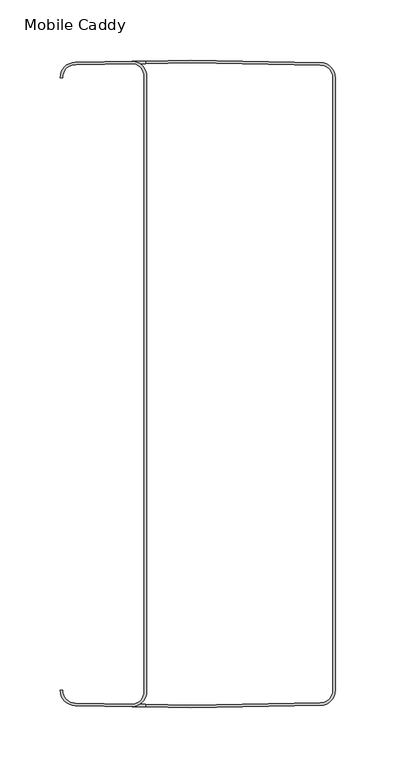
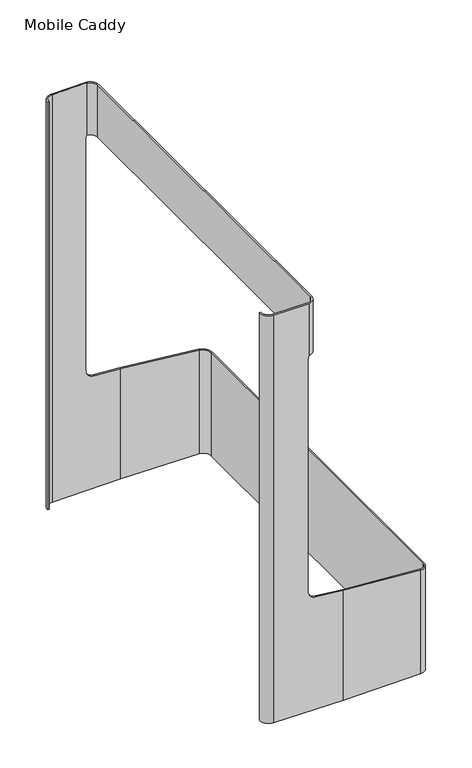
"""IFC4 building model written with IfcOpenShell, lengths in millimetres: furniture geometry, Mobile Caddy."""

from ifc_helpers import new_model, si_unit, frame, origin, place, context, project, spatial, polyline, circle_curve, ellipse_curve, source, transform, mapped, element, save
from ifc_brep_helpers import plane_surface, cylinder_surface, revolved_surface, advanced_brep


def mobile_caddy_da1a9284(model_context):
    return source(origin(), model_context, "Body", "AdvancedBrep", [
        advanced_brep(
        [(-95.9034456, 266.3605254, 602.1088158), (-108.3818, 253.6624597, 602.1088158), (-106.3418, 253.6624597, 602.1088158), (-95.6532531, 264.3224215, 602.1088158), (-47.3896038, 265.1648666, 602.1088158), (-38.5775683, 254.4628456, 602.1088158), (-38.5775683, -255.5043533, 602.1088158), (-47.3896038, -266.204214, 602.1088158), (-96.0823568, -265.3542788, 602.1088158), (-106.3418, -254.7018071, 602.1088158), (-108.3818, -254.7018071, 602.1088158), (-95.9034456, -267.3998728, 602.1088158), (-47.3896038, -268.2466851, 602.1088158), (-36.5354083, -255.5043533, 602.1088158), (-36.5354083, 254.4628456, 602.1088158), (-47.3896038, 267.2073377, 602.1088158), (0.0, -269.0738737, 5.2046822), (-95.9034456, -267.3998728, 5.2046822), (-108.3818, -254.7018071, 5.2046822), (-106.3418, -254.7018071, 5.2046822), (-96.0823568, -265.3542788, 5.2046822), (0.0618826, -267.0324828, 5.2046822), (107.7042427, -265.1535784, 5.2046822), (118.1782, -254.495202, 5.2046822), (118.1782, 253.4558546, 5.2046822), (107.7042427, 264.114231, 5.2046822), (0.0618826, 265.9931354, 5.2046822), (-95.6532531, 264.3224215, 5.2046822), (-106.3418, 253.6624597, 5.2046822), (-108.3818, 253.6624597, 5.2046822), (-95.9034456, 266.3605254, 5.2046822), (0.0, 268.0345263, 5.2046822), (107.7398456, 266.1539203, 5.2046822), (120.2182, 253.4558546, 5.2046822), (120.2182, -254.495202, 5.2046822), (107.7398456, -267.1932677, 5.2046822), (107.7398456, -267.1932677, 156.8929968), (0.0, -269.0738737, 166.3190119), (120.2182, -254.495202, 155.8012822), (120.2182, 253.4558546, 155.8012822), (107.7398456, 266.1539203, 156.8929968), (0.0, 268.0345263, 166.3190119), (-47.3896038, 267.2073377, 526.1422527), (-48.8442, 267.1819476, 520.2404822), (-48.8442, 267.1819476, 182.0464653), (-37.4336468, 267.3811196, 169.5940316), (107.7042427, 264.114231, 156.8961116), (0.0618826, 265.9931354, 166.3135979), (118.1782, 253.4558546, 155.9797591), (118.1782, -254.495202, 155.9797591), (107.7042427, -265.1535784, 156.8961116), (0.0618826, -267.0324828, 166.3135979), (-37.4336468, -268.420467, 169.5940316), (-48.8442, -268.221295, 182.0464653), (-48.8442, -268.221295, 520.2404822), (-47.3896038, -268.2466851, 526.1422527), (-48.8442, 265.1394765, 520.2404822), (-48.8442, 265.1394765, 182.0464653), (-48.8442, -266.1788239, 520.2404822), (-48.8442, -266.1788239, 182.0464653), (-37.4336468, 265.3386485, 169.5940316), (-37.4336468, -266.3779959, 169.5940316), (-47.3896038, 265.1648666, 526.1422527), (-47.3896038, -266.204214, 526.1422527), (-38.5775683, 254.4628456, 526.1422527), (-36.5354083, 254.4628456, 526.1422527), (-36.5354083, -255.5043533, 526.1422527), (-38.5775683, -255.5043533, 526.1422527)],
        [
            (0, 1, circle_curve(frame((-95.6818, 253.6624597, 602.1088158), z_axis=(0.0, 0.0, 1.0), x_axis=(1.0, 0.0, 0.0)), 12.7)),
            (1, 2),
            (2, 3, circle_curve(frame((-95.6818, 253.6624597, 602.1088158), z_axis=(0.0, 0.0, -1.0), x_axis=(1.0, 0.0, 0.0)), 10.66)),
            (3, 4),
            (4, 5, circle_curve(frame((-49.4822692, 254.4628456, 602.1088158), z_axis=(0.0, 0.0, -1.0), x_axis=(1.0, 0.0, 0.0)), 10.9047009)),
            (5, 6),
            (6, 7, circle_curve(frame((-49.4796458, -255.5043533, 602.1088158), z_axis=(0.0, 0.0, -1.0), x_axis=(1.0, 0.0, 0.0)), 10.9020775)),
            (7, 8),
            (8, 9, circle_curve(frame((-95.6818, -254.7018071, 602.1088158), z_axis=(0.0, 0.0, -1.0), x_axis=(1.0, 0.0, 0.0)), 10.66)),
            (9, 10),
            (10, 11, circle_curve(frame((-95.6818, -254.7018071, 602.1088158), z_axis=(0.0, 0.0, 1.0), x_axis=(1.0, 0.0, 0.0)), 12.7)),
            (11, 12),
            (12, 13, circle_curve(frame((-49.441965, -255.5043533, 602.1088158), z_axis=(0.0, 0.0, 1.0), x_axis=(1.0, 0.0, 0.0)), 12.9065567)),
            (13, 14),
            (14, 15, circle_curve(frame((-49.4445013, 254.4628456, 602.1088158), z_axis=(0.0, 0.0, 1.0), x_axis=(1.0, 0.0, 0.0)), 12.909093)),
            (15, 0),
            (16, 17),
            (17, 18, circle_curve(frame((-95.6818, -254.7018071, 5.2046822), z_axis=(0.0, 0.0, -1.0), x_axis=(1.0, 0.0, 0.0)), 12.7)),
            (18, 19),
            (19, 20, circle_curve(frame((-95.6818, -254.7018071, 5.2046822), z_axis=(0.0, 0.0, 1.0), x_axis=(1.0, 0.0, 0.0)), 10.66)),
            (20, 21),
            (21, 22),
            (22, 23, circle_curve(frame((107.5182, -254.495202, 5.2046822), z_axis=(0.0, 0.0, 1.0), x_axis=(1.0, 0.0, 0.0)), 10.66)),
            (23, 24),
            (24, 25, circle_curve(frame((107.5182, 253.4558546, 5.2046822), z_axis=(0.0, 0.0, 1.0), x_axis=(1.0, 0.0, 0.0)), 10.66)),
            (25, 26),
            (26, 27),
            (27, 28, circle_curve(frame((-95.6818, 253.6624597, 5.2046822), z_axis=(0.0, 0.0, 1.0), x_axis=(1.0, 0.0, 0.0)), 10.66)),
            (28, 29),
            (29, 30, circle_curve(frame((-95.6818, 253.6624597, 5.2046822), z_axis=(0.0, 0.0, -1.0), x_axis=(1.0, 0.0, 0.0)), 12.7)),
            (30, 31),
            (31, 32),
            (32, 33, circle_curve(frame((107.5182, 253.4558546, 5.2046822), z_axis=(0.0, 0.0, -1.0), x_axis=(1.0, 0.0, 0.0)), 12.7)),
            (33, 34),
            (34, 35, circle_curve(frame((107.5182, -254.495202, 5.2046822), z_axis=(0.0, 0.0, -1.0), x_axis=(1.0, 0.0, 0.0)), 12.7)),
            (35, 16),
            (35, 36),
            (36, 37),
            (37, 16),
            (34, 38),
            (38, 36, ellipse_curve(frame((107.5182, -254.495202, 156.9123883), z_axis=(-0.08715574274766186, 0.0, -0.9961946980917452), x_axis=(-0.9961946980917451, 0.0, 0.08715574274766172)), 12.7485119, 12.7)),
            (33, 39),
            (39, 38),
            (32, 40),
            (40, 39, ellipse_curve(frame((107.5182, 253.4558546, 156.9123883), z_axis=(-0.08715574274766186, 0.0, -0.9961946980917452), x_axis=(-0.9961946980917451, 0.0, 0.08715574274766172)), 12.7485119, 12.7)),
            (31, 41),
            (41, 40),
            (30, 0),
            (15, 42),
            (42, 43, ellipse_curve(frame((-36.1441999, 267.4036269, 520.2404822), z_axis=(0.017452406433170156, -0.9998476951564631, 0.0), x_axis=(-0.9998476951564632, -0.017452406433161077, 0.0)), 12.7019347, 12.7000001)),
            (43, 44),
            (44, 45, ellipse_curve(frame((-36.3442, 267.4001359, 182.0464653), z_axis=(0.017452406433170156, -0.9998476951564631, 0.0), x_axis=(-0.9998476951564632, -0.017452406433161077, 0.0)), 12.5019041, 12.5)),
            (45, 41),
            (29, 1),
            (28, 2),
            (27, 3),
            (25, 46),
            (46, 47),
            (47, 26),
            (24, 48),
            (48, 46, ellipse_curve(frame((107.5182, 253.4558546, 156.9123883), z_axis=(0.08715574274766186, 0.0, 0.9961946980917452), x_axis=(0.9961946980917451, 0.0, -0.08715574274766172)), 10.7007195, 10.66)),
            (23, 49),
            (49, 48),
            (22, 50),
            (50, 49, ellipse_curve(frame((107.5182, -254.495202, 156.9123883), z_axis=(0.08715574274766186, 0.0, 0.9961946980917452), x_axis=(0.9961946980917451, 0.0, -0.08715574274766172)), 10.7007195, 10.66)),
            (21, 51),
            (51, 50),
            (8, 20),
            (19, 9),
            (18, 10),
            (17, 11),
            (37, 52),
            (52, 53, ellipse_curve(frame((-36.3442, -268.4394833, 182.0464653), z_axis=(0.01745240644356969, 0.9998476951562816, 0.0), x_axis=(0.9998476951562815, -0.017452406443563422, 0.0)), 12.5019041, 12.5)),
            (53, 54),
            (54, 55, ellipse_curve(frame((-36.1441999, -268.4429743, 520.2404822), z_axis=(0.01745240644356969, 0.9998476951562816, 0.0), x_axis=(0.9998476951562815, -0.017452406443563422, 0.0)), 12.7019347, 12.7000001)),
            (55, 12),
            (43, 56),
            (56, 57),
            (57, 44),
            (58, 54),
            (53, 59),
            (59, 58),
            (57, 60, ellipse_curve(frame((-36.3442, 265.3576649, 182.0464653), z_axis=(0.017452406438352636, -0.9998476951563726, 0.0), x_axis=(-0.9998476951563727, -0.017452406438347733, 0.0)), 12.5019041, 12.5)),
            (60, 45),
            (52, 61),
            (61, 59, ellipse_curve(frame((-36.3442, -266.3970122, 182.0464653), z_axis=(0.017452406433397002, 0.9998476951564592, 0.0), x_axis=(0.9998476951564593, -0.01745240643337953, 0.0)), 12.5019041, 12.5)),
            (60, 47),
            (51, 61),
            (42, 62),
            (62, 56, ellipse_curve(frame((-36.1441999, 265.3611559, 520.2404822), z_axis=(0.017452406438352636, -0.9998476951563726, 0.0), x_axis=(-0.9998476951563727, -0.017452406438347733, 0.0)), 12.7019347, 12.7000001)),
            (58, 63, ellipse_curve(frame((-36.1441999, -266.4005033, 520.2404822), z_axis=(0.017452406433397002, 0.9998476951564592, 0.0), x_axis=(0.9998476951564593, -0.01745240643337953, 0.0)), 12.7019347, 12.7000001)),
            (63, 55),
            (62, 4),
            (7, 63),
            (64, 62, circle_curve(frame((-49.4822692, 254.4628456, 526.1422527), z_axis=(0.0, 0.0, 1.0), x_axis=(1.0, 0.0, 0.0)), 10.9047009)),
            (42, 65, circle_curve(frame((-49.4445013, 254.4628456, 526.1422527), z_axis=(0.0, 0.0, -1.0), x_axis=(1.0, 0.0, 0.0)), 12.909093)),
            (65, 66),
            (66, 55, circle_curve(frame((-49.441965, -255.5043533, 526.1422527), z_axis=(0.0, 0.0, -1.0), x_axis=(1.0, 0.0, 0.0)), 12.9065567)),
            (63, 67, circle_curve(frame((-49.4796458, -255.5043533, 526.1422527), z_axis=(0.0, 0.0, 1.0), x_axis=(1.0, 0.0, 0.0)), 10.9020775)),
            (67, 64),
            (5, 64),
            (67, 6),
            (13, 66),
            (65, 14),
        ],
        [
            plane_surface(frame((0.0, -269.0738737, 602.1088158), z_axis=(0.0, 0.0, 1.0000000000000002), x_axis=(0.9998476951564083, 0.01745240643631231, 0.0))),
            plane_surface(frame((0.0, -269.0738737, 5.2046822), z_axis=(0.0, 0.0, -1.0000000000000002), x_axis=(-0.9998476951564083, -0.01745240643631231, 0.0))),
            plane_surface(frame((0.0, -269.0738737, 602.1088158), z_axis=(0.01745240643631231, -0.9998476951564083, 0.0), x_axis=(0.0, 0.0, -1.0))),
            cylinder_surface(frame((107.5182, -254.495202, 5.2046822), z_axis=(0.0, 0.0, 1.0), x_axis=(1.0, 0.0, 0.0)), 12.7),
            plane_surface(frame((120.2182, -254.495202, 602.1088158), z_axis=(1.0, 0.0, 0.0), x_axis=(0.0, 0.0, -1.0))),
            cylinder_surface(frame((107.5182, 253.4558546, 5.2046822), z_axis=(0.0, 0.0, 1.0), x_axis=(1.0, 0.0, 0.0)), 12.7),
            plane_surface(frame((107.7398456, 266.1539203, 602.1088158), z_axis=(0.017452406436691773, 0.9998476951564016, 0.0), x_axis=(0.0, 0.0, -1.0))),
            plane_surface(frame((0.0, 268.0345263, 602.1088158), z_axis=(-0.017452406433170156, 0.9998476951564631, 0.0), x_axis=(0.0, 0.0, -1.0))),
            cylinder_surface(frame((-95.6818, 253.6624597, 5.2046822), z_axis=(0.0, 0.0, 1.0), x_axis=(1.0, 0.0, 0.0)), 12.7),
            plane_surface(frame((-108.3818, 253.6624597, 602.1088158), z_axis=(0.0, -1.0, 0.0), x_axis=(0.0, 0.0, -1.0))),
            revolved_surface(polyline([(-85.0218, 253.6624597, 5.2046822), (-85.0218, 253.6624597, 602.1088158)]), (-95.6818, 253.6624597, 5.2046822), (0.0, 0.0, -1.0)),
            plane_surface(frame((0.0618826, 265.9931354, 602.1088158), z_axis=(-0.01745240643631433, -0.9998476951564081, 0.0), x_axis=(0.0, 0.0, -1.0))),
            revolved_surface(polyline([(118.17819999999999, 253.4558546, 5.2046822), (118.17819999999999, 253.4558546, 157.84501745595688)]), (107.5182, 253.4558546, 5.2046822), (0.0, 0.0, -1.0)),
            plane_surface(frame((118.1782, 253.4558546, 602.1088158), z_axis=(-1.0, 0.0, 0.0), x_axis=(0.0, 0.0, -1.0))),
            revolved_surface(polyline([(118.17819999999999, -254.495202, 5.2046822), (118.17819999999999, -254.495202, 157.84501745595688)]), (107.5182, -254.495202, 5.2046822), (0.0, 0.0, -1.0)),
            plane_surface(frame((107.7042427, -265.1535784, 602.1088158), z_axis=(-0.017452406436160587, 0.9998476951564108, 0.0), x_axis=(0.0, 0.0, -1.0))),
            revolved_surface(polyline([(-85.0218, -254.7018071, 5.2046822), (-85.0218, -254.7018071, 602.1088158)]), (-95.6818, -254.7018071, 5.2046822), (0.0, 0.0, -1.0)),
            plane_surface(frame((-106.3418, -254.7018071, 602.1088158), z_axis=(0.0, 1.0, 0.0), x_axis=(0.0, 0.0, -1.0))),
            cylinder_surface(frame((-95.6818, -254.7018071, 5.2046822), z_axis=(0.0, 0.0, 1.0), x_axis=(1.0, 0.0, 0.0)), 12.7),
            plane_surface(frame((-95.9034456, -267.3998728, 602.1088158), z_axis=(-0.01745240644356969, -0.9998476951562816, 0.0), x_axis=(0.0, 0.0, -1.0))),
            plane_surface(frame((-48.8442, -271.1088527, 520.2404822), z_axis=(1.0, 0.0, 0.0), x_axis=(0.0, 1.0, 0.0))),
            revolved_surface(polyline([(-23.8442, 265.1394765, 182.0464653), (-23.8442, 267.6183242115416, 182.0464653)]), (-36.3442, 270.0797272, 182.0464653), (0.0, -1.0, 0.0)),
            revolved_surface(polyline([(-23.8442, -268.6576716116716, 182.0464653), (-23.8442, -266.1788238884558, 182.0464653)]), (-36.3442, 270.0797272, 182.0464653), (0.0, -1.0, 0.0)),
            plane_surface(frame((-37.4336468, -271.1088527, 169.5940316), z_axis=(0.08715574274766186, 0.0, 0.9961946980917452), x_axis=(0.0, 1.0, 0.0))),
            revolved_surface(polyline([(-48.8442, 265.1394765, 520.2404822), (-48.8442, 267.6253062268719, 520.2404822)]), (-36.1441999, 270.0797272, 520.2404822), (0.0, -1.0, 0.0)),
            revolved_surface(polyline([(-48.8442, -268.6646536270041, 520.2404822), (-48.8442, -266.1788239, 520.2404822)]), (-36.1441999, 270.0797272, 520.2404822), (0.0, -1.0, 0.0)),
            plane_surface(frame((-95.6532531, 264.3224215, 602.1088158), z_axis=(0.017452406438352636, -0.9998476951563726, 0.0), x_axis=(0.0, 0.0, -1.0))),
            plane_surface(frame((0.0618826, -267.0324828, 602.1088158), z_axis=(0.017452406433397002, 0.9998476951564592, 0.0), x_axis=(0.0, 0.0, -1.0))),
            plane_surface(frame((-38.5775683, -255.5021928, 526.1422527), z_axis=(0.0, 0.0, -1.0), x_axis=(0.0, 1.0, 0.0))),
            plane_surface(frame((-38.5775683, 254.4628456, 602.1088158), z_axis=(-1.0, 0.0, 0.0), x_axis=(0.0, 0.0, -1.0))),
            plane_surface(frame((-36.5354083, -255.5043533, 602.1088158), z_axis=(1.0, 0.0, 0.0), x_axis=(0.0, 0.0, -1.0))),
            revolved_surface(polyline([(-38.577568299999996, -255.5043533, 526.1422527), (-38.577568299999996, -255.5043533, 602.1088158)]), (-49.4796458, -255.5043533, 526.1422527), (0.0, 0.0, -1.0)),
            cylinder_surface(frame((-49.441965, -255.5043533, 526.1422527), z_axis=(0.0, 0.0, 1.0), x_axis=(1.0, 0.0, 0.0)), 12.9065567),
            cylinder_surface(frame((-49.4445013, 254.4628456, 526.1422527), z_axis=(0.0, 0.0, 1.0), x_axis=(1.0, 0.0, 0.0)), 12.909093),
            revolved_surface(polyline([(-38.577568299999996, 254.4628456, 526.1422527), (-38.577568299999996, 254.4628456, 602.1088158)]), (-49.4822692, 254.4628456, 526.1422527), (0.0, 0.0, -1.0)),
        ],
        [
            (0, [[1, 2, 3, 4, 5, 6, 7, 8, 9, 10, 11, 12, 13, 14, 15, 16]]),
            (1, [[17, 18, 19, 20, 21, 22, 23, 24, 25, 26, 27, 28, 29, 30, 31, 32, 33, 34, 35, 36]]),
            (2, [[-36, 37, 38, 39]]),
            (3, [[-35, 40, 41, -37]]),
            (4, [[-34, 42, 43, -40]]),
            (5, [[-33, 44, 45, -42]]),
            (6, [[-32, 46, 47, -44]]),
            (7, [[-31, 48, -16, 49, 50, 51, 52, 53, -46]]),
            (8, [[-1, -48, -30, 54]]),
            (9, [[-2, -54, -29, 55]]),
            (10, [[-3, -55, -28, 56]]),
            (11, [[-26, 57, 58, 59]]),
            (12, [[-25, 60, 61, -57]]),
            (13, [[-24, 62, 63, -60]]),
            (14, [[-23, 64, 65, -62]]),
            (15, [[-22, 66, 67, -64]]),
            (16, [[-9, 68, -20, 69]]),
            (17, [[-10, -69, -19, 70]]),
            (18, [[-11, -70, -18, 71]]),
            (19, [[-17, -39, 72, 73, 74, 75, 76, -12, -71]]),
            (20, [[77, 78, 79, -51]]),
            (20, [[80, -74, 81, 82]]),
            (21, [[-79, 83, 84, -52]]),
            (22, [[-81, -73, 85, 86]]),
            (23, [[-84, 87, -58, -61, -63, -65, -67, 88, -85, -72, -38, -41, -43, -45, -47, -53]]),
            (24, [[-77, -50, 89, 90]]),
            (25, [[-80, 91, 92, -75]]),
            (26, [[-27, -59, -87, -83, -78, -90, 93, -4, -56]]),
            (27, [[-21, -68, -8, 94, -91, -82, -86, -88, -66]]),
            (28, [[95, -89, 96, 97, 98, -92, 99, 100]]),
            (29, [[-6, 101, -100, 102]]),
            (30, [[-14, 103, -97, 104]]),
            (31, [[-7, -102, -99, -94]]),
            (32, [[-13, -76, -98, -103]]),
            (33, [[-15, -104, -96, -49]]),
            (34, [[-5, -93, -95, -101]]),
        ],
    ),
    ])


if __name__ == "__main__":
    model = new_model("IFC4")
    model_context = context("Model", 3, world=origin())
    ifc_project = project(units=[si_unit("LENGTHUNIT", "METRE", prefix="MILLI")], contexts=[model_context])
    site = spatial("IfcSite", under=ifc_project)
    building = spatial("IfcBuilding", under=site)
    placement = place(None, origin())
    mobile_caddy_shape = mobile_caddy_da1a9284(model_context)
    element("IfcFurniture", 1, ObjectType="Mobile Caddy", at=placement, inside=building, context=model_context, shape_type="MappedRepresentation", body=[
        mapped(mobile_caddy_shape, transform((0.0, 0.0, 0.0), x_axis=(1.0, 0.0, 0.0), y_axis=(0.0, 1.0, 0.0), z_axis=(0.0, 0.0, 1.0))),
    ])
    save(model, "model.ifc")
